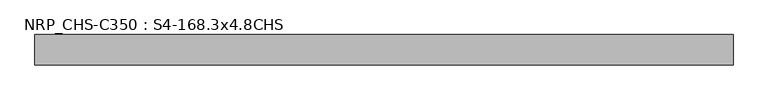
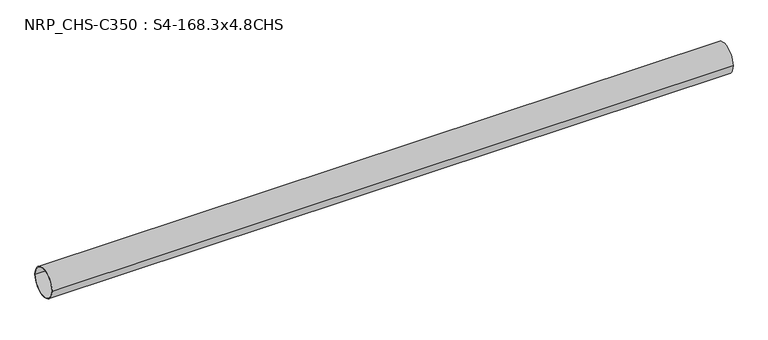
"""IFC4 building model written with IfcOpenShell, lengths in millimetres: beam geometry, NRP_CHS-C350 : S4-168.3x4.8CHS."""

from ifc_helpers import new_model, si_unit, point, frame, origin, origin_2d, place, context, project, spatial, circle_curve, trimmed, segment, composite_curve, outline, extrude, source, transform, mapped, element, save


def nrp_chs_c350_s4_168_3x4_8chs_193adbc5(model_context):
    return source(origin(), model_context, "Body", "SweptSolid", [
        extrude(outline(composite_curve([segment(trimmed(circle_curve(origin_2d(), 84.15), [point((-84.15, 0.0))], [point((84.15, 0.0))], False, "CARTESIAN"), True, "CONTINUOUS"), segment(trimmed(circle_curve(origin_2d(), 84.15), [point((84.15, 0.0))], [point((-84.15, 0.0))], False, "CARTESIAN"), True, "CONTINUOUS")], self_intersect=False), holes=[composite_curve([segment(trimmed(circle_curve(origin_2d(), 79.35), [point((79.35, 0.0))], [point((-79.35, 0.0))], True, "CARTESIAN"), True, "CONTINUOUS"), segment(trimmed(circle_curve(origin_2d(), 79.35), [point((-79.35, 0.0))], [point((79.35, 0.0))], True, "CARTESIAN"), True, "CONTINUOUS")], self_intersect=False)]), frame((-1757.7, 0.0, 0.0), z_axis=(1.0, 0.0, 0.0), x_axis=(0.0, 1.0, 0.0)), (0.0, 0.0, 1.0), 3861.6),
    ])


if __name__ == "__main__":
    model = new_model("IFC4")
    model_context = context("Model", 3, world=origin())
    ifc_project = project(units=[si_unit("LENGTHUNIT", "METRE", prefix="MILLI")], contexts=[model_context])
    site = spatial("IfcSite", under=ifc_project)
    building = spatial("IfcBuilding", under=site)
    placement = place(None, origin())
    nrp_chs_c350_s4_168_3x4_8chs_shape = nrp_chs_c350_s4_168_3x4_8chs_193adbc5(model_context)
    element("IfcBeam", 1, ObjectType="NRP_CHS-C350 : S4-168.3x4.8CHS", at=placement, inside=building, context=model_context, shape_type="MappedRepresentation", body=[
        mapped(nrp_chs_c350_s4_168_3x4_8chs_shape, transform((0.0, 0.0, 0.0), x_axis=(1.0, 0.0, 0.0), y_axis=(0.0, 1.0, 0.0), z_axis=(0.0, 0.0, 1.0))),
    ])
    save(model, "model.ifc")
